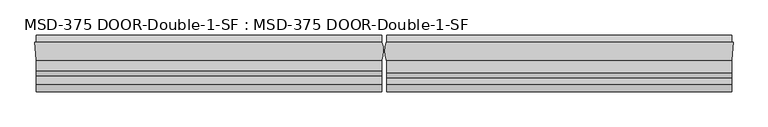
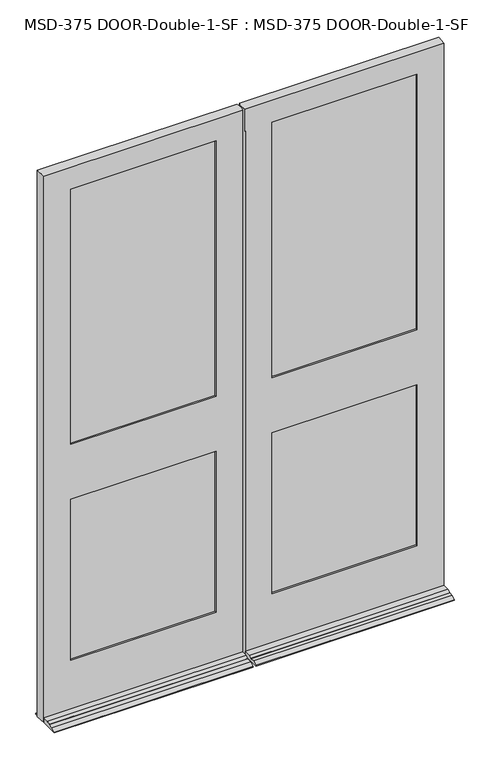
"""IFC4 building model written with IfcOpenShell, lengths in millimetres: plate geometry, MSD-375 DOOR-Double-1-SF : MSD-375 DOOR-Double-1-SF."""

import ifcopenshell
import ifcopenshell.guid

model = None  # the IFC model being written
_history = None  # IfcOwnerHistory: only IFC2X3 demands one
_inside = {}  # id of a spatial element -> (the spatial element, [elements in it])
_under = {}  # id of a project, library or spatial element -> (it, [spatial elements below it])
_declared = {}  # id of a project -> (the project, [libraries it declares])
_typed = {}  # id of a type object -> (the type object, [elements of that type])
_made_of = {}  # id of a material, layer set ... -> (it, [elements and type objects made of it])


def new_model(schema):
    """Start an empty IFC model of exactly this schema.

    Asked for "IFC4X3", IfcOpenShell would pick the latest addendum, in which some entities
    have other attributes; the version numbers below select the first issue.
    IFC2X3 requires an IfcOwnerHistory on every rooted entity: one is made here for all.
    """
    global model, _history
    if schema == "IFC4X3":
        model = ifcopenshell.file(schema_version=(4, 3, 0, 0))
    else:
        model = ifcopenshell.file(schema=schema)
    _inside.clear()
    _under.clear()
    _declared.clear()
    _typed.clear()
    _made_of.clear()
    _history = None
    if model.schema == "IFC2X3":
        org = make("IfcOrganization", Name="unknown")
        user = make(
            "IfcPersonAndOrganization",
            ThePerson=make("IfcPerson", FamilyName="unknown"),
            TheOrganization=org,
        )
        app = make(
            "IfcApplication",
            ApplicationDeveloper=org,
            Version="unknown",
            ApplicationFullName="unknown",
            ApplicationIdentifier="unknown",
        )
        _history = make(
            "IfcOwnerHistory",
            OwningUser=user,
            OwningApplication=app,
            ChangeAction="ADDED",
            CreationDate=0,
        )
    return model


def make(cls, **values):
    """One entity of the class cls with the attributes given. An attribute that is None is left unset."""
    return model.create_entity(
        cls, **{name: value for name, value in values.items() if value is not None}
    )


def rooted(cls, **values):
    """An entity with a GlobalId (a new one), such as an element, a storey or a relation."""
    return make(cls, GlobalId=ifcopenshell.guid.new(), OwnerHistory=_history, **values)


def si_unit(unit_type, name, prefix=None):
    """IfcSIUnit, for example si_unit("LENGTHUNIT", "METRE", prefix="MILLI")."""
    return make("IfcSIUnit", UnitType=unit_type, Prefix=prefix, Name=name)


def assignment(units):
    """IfcUnitAssignment: the units of a project."""
    return None if units is None else make("IfcUnitAssignment", Units=units)


def point(xyz):
    """IfcCartesianPoint."""
    return None if xyz is None else make("IfcCartesianPoint", Coordinates=xyz)


def direction(xyz):
    """IfcDirection."""
    return None if xyz is None else make("IfcDirection", DirectionRatios=xyz)


def frame(location, z_axis=None, x_axis=None):
    """IfcAxis2Placement3D, a coordinate frame: its origin and axes. An axis left out is left unset."""
    return make(
        "IfcAxis2Placement3D",
        Location=point(location),
        Axis=direction(z_axis),
        RefDirection=direction(x_axis),
    )


def origin():
    """The frame at (0, 0, 0) with its axes left unset."""
    return frame((0.0, 0.0, 0.0))


def place(relative_to, where):
    """IfcLocalPlacement: puts the frame where relative to a parent placement (None: the world)."""
    return make(
        "IfcLocalPlacement", PlacementRelTo=relative_to, RelativePlacement=where
    )


def context(
    kind, dimensions, precision=None, world=None, true_north=None, identifier=None
):
    """IfcGeometricRepresentationContext, for example the 3D "Model" context."""
    return make(
        "IfcGeometricRepresentationContext",
        ContextIdentifier=identifier,
        ContextType=kind,
        CoordinateSpaceDimension=dimensions,
        Precision=precision,
        WorldCoordinateSystem=world,
        TrueNorth=true_north,
    )


def project(units=None, contexts=None):
    """IfcProject with its units and contexts."""
    return rooted(
        "IfcProject",
        Name="project",
        RepresentationContexts=contexts,
        UnitsInContext=assignment(units),
    )


def spatial(cls, under=None, at=None, **own):
    """A site, building, storey or space (cls), placed at a placement, below another one or the project."""
    s = rooted(cls, ObjectPlacement=at, **own)
    if under is not None:
        _under.setdefault(under.id(), (under, []))[1].append(s)
    return s


def polyline(points):
    """IfcPolyline through the points."""
    return make("IfcPolyline", Points=[point(p) for p in points])


def circle_curve(where, radius):
    """IfcCircle in the frame where."""
    return make("IfcCircle", Position=where, Radius=radius)


def outline(outer, holes=None, kind="AREA"):
    """IfcArbitraryClosedProfileDef: a profile drawn as a closed curve; with holes, ...WithVoids."""
    if holes is None:
        return make("IfcArbitraryClosedProfileDef", ProfileType=kind, OuterCurve=outer)
    return make(
        "IfcArbitraryProfileDefWithVoids",
        ProfileType=kind,
        OuterCurve=outer,
        InnerCurves=holes,
    )


def extrude(swept, where, along, depth):
    """IfcExtrudedAreaSolid: the profile swept, set in the frame where, extruded along a direction by depth."""
    return make(
        "IfcExtrudedAreaSolid",
        SweptArea=swept,
        Position=where,
        ExtrudedDirection=direction(along),
        Depth=depth,
    )


def shape(context_of_items, identifier, shape_type, items):
    """IfcShapeRepresentation: the items that make up one representation, for example the "Body"."""
    return make(
        "IfcShapeRepresentation",
        ContextOfItems=context_of_items,
        RepresentationIdentifier=identifier,
        RepresentationType=shape_type,
        Items=items,
    )


def source(mapping_origin, context_of_items, identifier, shape_type, items):
    """IfcRepresentationMap: a shape defined once, which mapped items show again and again."""
    return make(
        "IfcRepresentationMap",
        MappingOrigin=mapping_origin,
        MappedRepresentation=shape(context_of_items, identifier, shape_type, items),
    )


def transform(
    local_origin,
    x_axis=None,
    y_axis=None,
    z_axis=None,
    scale=None,
    scale2=None,
    scale3=None,
    uniform=True,
):
    """IfcCartesianTransformationOperator3D, or its non-uniform kind. x_axis, y_axis, z_axis: its Axis1, 2, 3."""
    if uniform:
        return make(
            "IfcCartesianTransformationOperator3D",
            Axis1=direction(x_axis),
            Axis2=direction(y_axis),
            LocalOrigin=point(local_origin),
            Scale=scale,
            Axis3=direction(z_axis),
        )
    return make(
        "IfcCartesianTransformationOperator3DnonUniform",
        Axis1=direction(x_axis),
        Axis2=direction(y_axis),
        LocalOrigin=point(local_origin),
        Scale=scale,
        Axis3=direction(z_axis),
        Scale2=scale2,
        Scale3=scale3,
    )


def mapped(mapping_source, mapping_target):
    """IfcMappedItem: shows the shape of a source again, moved by a transform."""
    return make(
        "IfcMappedItem", MappingSource=mapping_source, MappingTarget=mapping_target
    )


def made_of(thing, what):
    """Note that an element or type object is made of a material, layer set ...; save() writes the relation."""
    if what is not None:
        _made_of.setdefault(what.id(), (what, []))[1].append(thing)
    return thing


def element(
    cls,
    number,
    at=None,
    inside=None,
    cuts=None,
    type_object=None,
    material=None,
    context=None,
    identifier="Body",
    shape_type=None,
    held_by="IfcProductDefinitionShape",
    body=None,
    shapes=None,
    **own,
):
    """One element of the class cls, such as IfcWall. Its Tag is "e" and its number.

    at: its placement. inside: the storey or other place that contains it. cuts: it is an
    opening in that element (IfcRelVoidsElement). A single representation is given by context,
    identifier, shape_type and body (its items); several are given by shapes. held_by: the class
    of the entity that holds the representations. save() writes the other relations.
    """
    e = rooted(cls, Tag="e%d" % number, ObjectPlacement=at, **own)
    if body is not None:
        shapes = [shape(context, identifier, shape_type, body)]
    if shapes is not None:
        e.Representation = make(held_by, Representations=shapes)
    if inside is not None:
        _inside.setdefault(inside.id(), (inside, []))[1].append(e)
    if cuts is not None:
        rooted(
            "IfcRelVoidsElement", RelatingBuildingElement=cuts, RelatedOpeningElement=e
        )
    if type_object is not None:
        _typed.setdefault(type_object.id(), (type_object, []))[1].append(e)
    return made_of(e, material)


def aggregate(whole, parts):
    """IfcRelAggregates: a whole, such as a stair, and the parts it consists of."""
    return rooted("IfcRelAggregates", RelatingObject=whole, RelatedObjects=parts)


def save(model, path):
    """Write the relations noted so far, then the file.

    IfcRelAggregates (storeys below a building ...), IfcRelContainedInSpatialStructure (elements
    in a storey), IfcRelDefinesByType, IfcRelAssociatesMaterial and IfcRelDeclares: one each for
    every whole, place, type object, material and project.
    """
    for whole, parts in _under.values():
        aggregate(whole, parts)
    for where, things in _inside.values():
        rooted(
            "IfcRelContainedInSpatialStructure",
            RelatedElements=things,
            RelatingStructure=where,
        )
    for kind, things in _typed.values():
        rooted("IfcRelDefinesByType", RelatedObjects=things, RelatingType=kind)
    for what, things in _made_of.values():
        rooted("IfcRelAssociatesMaterial", RelatedObjects=things, RelatingMaterial=what)
    for by, libraries in _declared.values():
        rooted("IfcRelDeclares", RelatingContext=by, RelatedDefinitions=libraries)
    model.write(path)


def plane_surface(at):
    """IfcPlane: the flat surface through the origin of the frame at, square to its z axis."""
    return make("IfcPlane", Position=at)


def cylinder_surface(at, radius):
    """IfcCylindricalSurface: all points at the distance radius from the z axis of the frame at."""
    return make("IfcCylindricalSurface", Position=at, Radius=radius)


def advanced_brep(points, edges, surfaces, faces):
    """IfcAdvancedBrep: a solid bounded by faces that lie on surfaces and meet in shared edges.

    An edge is (start, end): straight between two places in points (the first is 0);
    or (start, end, curve); or (start, end, curve, False) where it runs against its curve.
    A face is (place in surfaces, loops), or (place, loops, False) where it looks against
    its surface's normal. A loop lists edges by number (the first is 1), with a minus sign
    where the edge is run from its end to its start. The first loop is the outer one.
    """
    corners = [point(p) for p in points]
    vertices = [make("IfcVertexPoint", VertexGeometry=c) for c in corners]
    made = []
    for start, end, *more in edges:
        made.append(
            make(
                "IfcEdgeCurve",
                EdgeStart=vertices[start],
                EdgeEnd=vertices[end],
                EdgeGeometry=more[0] if more else make("IfcPolyline", Points=[corners[start], corners[end]]),
                SameSense=more[1] if len(more) > 1 else True,
            )
        )
    hull = []
    for where, loops, *sense in faces:
        bounds = []
        for j, loop in enumerate(loops):
            ring = [make("IfcOrientedEdge", EdgeElement=made[abs(k) - 1], Orientation=k > 0) for k in loop]
            bounds.append(
                make(
                    "IfcFaceOuterBound" if j == 0 else "IfcFaceBound",
                    Bound=make("IfcEdgeLoop", EdgeList=ring),
                    Orientation=True,
                )
            )
        hull.append(make("IfcAdvancedFace", Bounds=bounds, FaceSurface=surfaces[where], SameSense=sense[0] if sense else True))
    return make("IfcAdvancedBrep", Outer=make("IfcClosedShell", CfsFaces=hull))


def msd_375_door_double_1_sf_msd_375_door_double_1_sf_ca6e11e4(model_context):
    return source(origin(), model_context, "Body", "SolidModel", [
        advanced_brep(
        [(-875.0542327, -44.45, 0.0), (-877.8228327, 0.0, 0.0), (-874.8313901, 0.0, 0.0), (-874.8313901, 19.05, 0.0), (-6.1450388, 19.05, 0.0), (-6.1450388, 0.0, 0.0), (-5.5889985, 0.0, 0.0), (-6.1450388, -44.45, 0.0), (-6.1450388, -123.825, 0.0), (-874.8313901, -123.825, 0.0), (-874.8313901, -44.45, 0.0), (-6.1450388, -44.45, 21.4376), (-6.1450388, -70.3199, 21.4376), (-6.1450388, -82.7405, 14.2748), (-6.1450388, -82.7405, 12.7), (-6.1450388, -104.775, 12.7), (-6.1450388, -123.825, 3.175), (-6.1450388, 19.05, 3.175), (-6.1450388, 0.0, 12.7), (-874.8313901, 0.0, 12.7), (-874.8313901, 19.05, 3.175), (-874.8313901, -123.825, 3.175), (-874.8313901, -104.775, 12.7), (-874.8313901, -82.7405, 12.7), (-874.8313901, -82.7405, 14.2748), (-874.8313901, -70.3199, 21.4376), (-874.8313901, -44.45, 21.4376), (-122.2373508, -11.6078, 1223.1624), (-122.2373508, -37.0078, 1223.1624), (-122.2373508, -37.0078, 1008.8372), (-122.2373508, -11.6078, 1008.8372), (-122.2373508, 0.0, 988.9998), (-122.2373508, 0.0, 246.0625), (-122.2373508, -11.6078, 246.0625), (-122.2373508, -11.6078, 988.9998), (-122.2373508, -11.6078, 1242.9998), (-122.2373508, -11.6078, 2422.525), (-122.2373508, 0.0, 2422.525), (-122.2373508, 0.0, 1242.9998), (-102.3999508, -37.0078, 2442.3624), (-102.3999508, -11.6078, 2442.3624), (-102.3999508, -11.6078, 226.21875), (-102.3999508, -37.0078, 226.21875), (-122.2373508, -37.0078, 988.9998), (-122.2373508, -37.0078, 246.0625), (-122.2373508, -44.45, 246.0625), (-122.2373508, -44.45, 988.9998), (-122.2373508, -44.45, 1242.9998), (-122.2373508, -44.45, 2422.525), (-122.2373508, -37.0078, 2422.525), (-122.2373508, -37.0078, 1242.9998), (-757.1728327, -44.45, 246.0625), (-757.1728327, -37.0078, 246.0625), (-757.1728327, -37.0078, 988.9998), (-757.1728327, -44.45, 988.9998), (-757.1728327, -37.0078, 2422.525), (-757.1728327, -44.45, 2422.525), (-757.1728327, -44.45, 1242.9998), (-757.1728327, -37.0078, 1242.9998), (-777.0102327, -11.6078, 2442.3624), (-777.0102327, -37.0078, 2442.3624), (-777.0102327, -37.0078, 226.21875), (-777.0102327, -11.6078, 226.21875), (-757.1728327, -11.6078, 246.0625), (-757.1728327, 0.0, 246.0625), (-757.1728327, 0.0, 988.9998), (-757.1728327, -11.6078, 988.9998), (-757.1728327, 0.0, 2422.525), (-757.1728327, -11.6078, 2422.525), (-757.1728327, -11.6078, 1242.9998), (-757.1728327, 0.0, 1242.9998), (-757.1728327, -11.6078, 1223.1624), (-757.1728327, -37.0078, 1223.1624), (-757.1728327, -37.0078, 1008.8372), (-757.1728327, -11.6078, 1008.8372), (-5.5889985, 0.0, 2524.125), (-6.1450388, -44.45, 2524.125), (-875.0542327, -44.45, 2524.125), (-877.8228327, 0.0, 2524.125)],
        [
            (0, 1),
            (1, 2),
            (2, 3),
            (3, 4),
            (4, 5),
            (5, 6),
            (6, 7, circle_curve(frame((-61.4514685, -21.529675, 0.0), z_axis=(0.0, 0.0, -1.0), x_axis=(0.0, -1.0, 0.0)), 59.867708)),
            (7, 8),
            (8, 9),
            (9, 10),
            (10, 0),
            (11, 12),
            (12, 13),
            (13, 14),
            (14, 15),
            (15, 16),
            (16, 8),
            (7, 11),
            (4, 17),
            (17, 18),
            (18, 5),
            (19, 20),
            (20, 3),
            (2, 19),
            (9, 21),
            (21, 22),
            (22, 23),
            (23, 24),
            (24, 25),
            (25, 26),
            (26, 10),
            (27, 28),
            (28, 29),
            (29, 30),
            (30, 27),
            (31, 32),
            (32, 33),
            (33, 34),
            (34, 31),
            (35, 36),
            (36, 37),
            (37, 38),
            (38, 35),
            (39, 40),
            (40, 41),
            (41, 42),
            (42, 39),
            (43, 44),
            (44, 45),
            (45, 46),
            (46, 43),
            (47, 48),
            (48, 49),
            (49, 50),
            (50, 47),
            (51, 52),
            (52, 53),
            (53, 54),
            (54, 51),
            (55, 56),
            (56, 57),
            (57, 58),
            (58, 55),
            (59, 60),
            (60, 61),
            (61, 62),
            (62, 59),
            (63, 64),
            (64, 65),
            (65, 66),
            (66, 63),
            (67, 68),
            (68, 69),
            (69, 70),
            (70, 67),
            (63, 33),
            (32, 64),
            (61, 42),
            (41, 62),
            (51, 45),
            (44, 52),
            (11, 26),
            (25, 12),
            (24, 13),
            (23, 14),
            (22, 15),
            (21, 16),
            (20, 17),
            (19, 18),
            (38, 70),
            (69, 35),
            (27, 71),
            (71, 72),
            (72, 28),
            (50, 58),
            (57, 47),
            (46, 54),
            (53, 43),
            (29, 73),
            (73, 74),
            (74, 30),
            (34, 66),
            (65, 31),
            (75, 76, circle_curve(frame((-61.4514685, -21.529675, 2524.125), z_axis=(0.0, 0.0, -1.0), x_axis=(0.0, -1.0, 0.0)), 59.867708)),
            (76, 11),
            (6, 75),
            (77, 78),
            (78, 1),
            (0, 77),
            (78, 75),
            (37, 67),
            (36, 68),
            (40, 59),
            (74, 71),
            (39, 60),
            (49, 55),
            (72, 73),
            (48, 56),
            (76, 77),
        ],
        [
            plane_surface(frame((-882.65, -24.3078, 0.0), z_axis=(0.0, 0.0, -1.0), x_axis=(0.0, -1.0, 0.0))),
            plane_surface(frame((-6.1450388, -24.3078, 0.0), z_axis=(1.0, 0.0, 0.0), x_axis=(0.0, -1.0, 0.0))),
            plane_surface(frame((-874.8313901, -24.3078, 0.0), z_axis=(-1.0, 0.0, 0.0), x_axis=(0.0, -1.0, 0.0))),
            plane_surface(frame((-122.2373508, -24.3078, 1268.4125), z_axis=(1.0, 0.0, 0.0), x_axis=(0.0, -1.0, 0.0))),
            plane_surface(frame((-122.2373508, 0.0, 2524.125), z_axis=(-1.0, 0.0, 0.0), x_axis=(0.0, 0.0, -1.0))),
            plane_surface(frame((-102.3999508, -11.6078, 2524.125), z_axis=(-1.0, 0.0, 0.0), x_axis=(0.0, 0.0, -1.0))),
            plane_surface(frame((-122.2373508, -37.0078, 2524.125), z_axis=(-1.0, 0.0, 0.0), x_axis=(0.0, 0.0, -1.0))),
            plane_surface(frame((-757.1728327, -44.45, 2524.125), z_axis=(1.0, 0.0, 0.0), x_axis=(0.0, 0.0, -1.0))),
            plane_surface(frame((-777.0102327, -37.0078, 2524.125), z_axis=(1.0, 0.0, 0.0), x_axis=(0.0, 0.0, -1.0))),
            plane_surface(frame((-757.1728327, -11.6078, 2524.125), z_axis=(1.0, 0.0, 0.0), x_axis=(0.0, 0.0, -1.0))),
            plane_surface(frame((-6.1450388, 0.0, 246.0625), z_axis=(0.0, 0.0, 1.0), x_axis=(-1.0, 0.0, 0.0))),
            plane_surface(frame((-6.1450388, -11.6078, 226.21875), z_axis=(0.0, 0.0, 1.0), x_axis=(-1.0, 0.0, 0.0))),
            plane_surface(frame((-6.1450388, -37.0078, 246.0625), z_axis=(0.0, 0.0, 1.0), x_axis=(-1.0, 0.0, 0.0))),
            plane_surface(frame((-6.1450388, -44.45, 21.4376), z_axis=(0.0, 0.0, 1.0), x_axis=(-1.0, 0.0, 0.0))),
            plane_surface(frame((-6.1450388, -70.3199, 21.4376), z_axis=(0.0, -0.499569084188723, 0.8662740502420933), x_axis=(-1.0, 0.0, 0.0))),
            plane_surface(frame((-6.1450388, -82.7405, 14.2748), z_axis=(0.0, -1.0, 0.0), x_axis=(-1.0, 0.0, 0.0))),
            plane_surface(frame((-6.1450388, -82.7405, 12.7), z_axis=(0.0, 0.0, 1.0), x_axis=(-1.0, 0.0, 0.0))),
            plane_surface(frame((-6.1450388, -104.775, 12.7), z_axis=(0.0, -0.44721359549995665, 0.8944271909999165), x_axis=(-1.0, 0.0, 0.0))),
            plane_surface(frame((-6.1450388, -123.825, 3.175), z_axis=(0.0, -1.0, 0.0), x_axis=(-1.0, 0.0, 0.0))),
            plane_surface(frame((-6.1450388, 19.05, 0.0), z_axis=(0.0, 1.0, 0.0), x_axis=(-1.0, 0.0, 0.0))),
            plane_surface(frame((-6.1450388, 19.05, 3.175), z_axis=(0.0, 0.4472135954998658, 0.8944271909999619), x_axis=(-1.0, 0.0, 0.0))),
            plane_surface(frame((-122.2373508, 0.0, 1242.9998), z_axis=(0.0, 0.0, 1.0), x_axis=(-1.0, 0.0, 0.0))),
            plane_surface(frame((-122.2373508, -11.6078, 1223.1624), z_axis=(0.0, 0.0, 1.0), x_axis=(-1.0, 0.0, 0.0))),
            plane_surface(frame((-122.2373508, -37.0078, 1242.9998), z_axis=(0.0, 0.0, 1.0), x_axis=(-1.0, 0.0, 0.0))),
            plane_surface(frame((-122.2373508, -44.45, 988.9998), z_axis=(0.0, 0.0, -1.0), x_axis=(-1.0, 0.0, 0.0))),
            plane_surface(frame((-122.2373508, -37.0078, 1008.8372), z_axis=(0.0, 0.0, -1.0), x_axis=(-1.0, 0.0, 0.0))),
            plane_surface(frame((-122.2373508, -11.6078, 988.9998), z_axis=(0.0, 0.0, -1.0), x_axis=(-1.0, 0.0, 0.0))),
            cylinder_surface(frame((-61.4514685, -21.529675, 2524.125), z_axis=(0.0, 0.0, 1.0), x_axis=(0.0, -1.0, 0.0)), 59.867708),
            plane_surface(frame((-877.8228327, 0.0, 2524.125), z_axis=(-0.9980658706879192, -0.06216524565998223, 0.0), x_axis=(0.0, 0.0, -1.0))),
            plane_surface(frame((-875.0542327, 0.0, 2524.125), z_axis=(0.0, 1.0, 0.0), x_axis=(1.0, 0.0, 0.0))),
            plane_surface(frame((-875.0542327, 0.0, 2422.525), z_axis=(0.0, 0.0, -1.0), x_axis=(1.0, 0.0, 0.0))),
            plane_surface(frame((-875.0542327, -11.6078, 2422.525), z_axis=(0.0, -1.0, 0.0), x_axis=(1.0, 0.0, 0.0))),
            plane_surface(frame((-875.0542327, -11.6078, 2442.3624), z_axis=(0.0, 0.0, -1.0), x_axis=(1.0, 0.0, 0.0))),
            plane_surface(frame((-875.0542327, -37.0078, 2442.3624), z_axis=(0.0, 1.0, 0.0), x_axis=(1.0, 0.0, 0.0))),
            plane_surface(frame((-875.0542327, -37.0078, 2422.525), z_axis=(0.0, 0.0, -1.0), x_axis=(1.0, 0.0, 0.0))),
            plane_surface(frame((-875.0542327, -44.45, 2422.525), z_axis=(0.0, -1.0, 0.0), x_axis=(1.0, 0.0, 0.0))),
            plane_surface(frame((-875.0542327, -44.45, 2524.125), z_axis=(0.0, 0.0, 1.0), x_axis=(1.0, 0.0, 0.0))),
            plane_surface(frame((-757.1728327, -24.3078, 1268.4125), z_axis=(-1.0, 0.0, 0.0), x_axis=(0.0, -1.0, 0.0))),
        ],
        [
            (0, [[1, 2, 3, 4, 5, 6, 7, 8, 9, 10, 11]]),
            (1, [[12, 13, 14, 15, 16, 17, -8, 18]]),
            (1, [[19, 20, 21, -5]]),
            (2, [[22, 23, -3, 24]]),
            (2, [[25, 26, 27, 28, 29, 30, 31, -10]]),
            (3, [[32, 33, 34, 35]]),
            (4, [[36, 37, 38, 39]]),
            (4, [[40, 41, 42, 43]]),
            (5, [[44, 45, 46, 47]]),
            (6, [[48, 49, 50, 51]]),
            (6, [[52, 53, 54, 55]]),
            (7, [[56, 57, 58, 59]]),
            (7, [[60, 61, 62, 63]]),
            (8, [[64, 65, 66, 67]]),
            (9, [[68, 69, 70, 71]]),
            (9, [[72, 73, 74, 75]]),
            (10, [[-68, 76, -37, 77]]),
            (11, [[-66, 78, -46, 79]]),
            (12, [[-56, 80, -49, 81]]),
            (13, [[-12, 82, -30, 83]]),
            (14, [[-13, -83, -29, 84]]),
            (15, [[-14, -84, -28, 85]]),
            (16, [[-15, -85, -27, 86]]),
            (17, [[-16, -86, -26, 87]]),
            (18, [[-17, -87, -25, -9]]),
            (19, [[-19, -4, -23, 88]]),
            (20, [[-20, -88, -22, 89]]),
            (21, [[90, -74, 91, -43]]),
            (22, [[-32, 92, 93, 94]]),
            (23, [[95, -62, 96, -55]]),
            (24, [[97, -58, 98, -51]]),
            (25, [[-34, 99, 100, 101]]),
            (26, [[102, -70, 103, -39]]),
            (27, [[104, 105, -18, -7, 106]]),
            (28, [[107, 108, -1, 109]]),
            (29, [[-108, 110, -106, -6, -21, -89, -24, -2], [-90, -42, 111, -75], [-103, -69, -77, -36]]),
            (30, [[-72, -111, -41, 112]]),
            (31, [[-67, -79, -45, 113], [-92, -35, -101, 114], [-102, -38, -76, -71], [-91, -73, -112, -40]]),
            (32, [[-64, -113, -44, 115]]),
            (33, [[-65, -115, -47, -78], [-95, -54, 116, -63], [-94, 117, -99, -33], [-98, -57, -81, -48]]),
            (34, [[-60, -116, -53, 118]]),
            (35, [[-109, -11, -31, -82, -105, 119], [-97, -50, -80, -59], [-96, -61, -118, -52]]),
            (36, [[-107, -119, -104, -110]]),
            (37, [[-100, -117, -93, -114]]),
        ],
    ),
        advanced_brep(
        [(6.1450388, -44.45, 0.0), (5.5889985, 0.0, 0.0), (6.1450388, 0.0, 0.0), (6.1450388, 19.05, 0.0), (874.3187994, 19.05, 0.0), (874.3187994, 0.0, 0.0), (877.310242, 0.0, 0.0), (874.541642, -44.45, 0.0), (874.3187994, -44.45, 0.0), (874.3187994, -123.825, 0.0), (6.1450388, -123.825, 0.0), (874.3187994, -44.45, 21.4376), (874.3187994, -75.87615, 21.4376), (874.3187994, -88.29675, 14.2748), (874.3187994, -88.29675, 12.7), (874.3187994, -104.775, 12.7), (874.3187994, -123.825, 3.175), (874.3187994, 19.05, 3.175), (874.3187994, 0.0, 12.7), (6.1450388, 0.0, 12.7), (6.1450388, 19.05, 3.175), (6.1450388, -123.825, 3.175), (6.1450388, -104.775, 12.7), (6.1450388, -88.29675, 12.7), (6.1450388, -88.29675, 14.2748), (6.1450388, -75.87615, 21.4376), (6.1450388, -44.45, 21.4376), (5.5889985, -44.45, 2422.525), (5.5889985, -44.45, 2524.125), (5.5889985, -43.05935, 2524.125), (5.5889985, -43.05935, 2422.525), (122.2376492, -37.0078, 1223.1624), (122.2376492, -11.6078, 1223.1624), (122.2376492, -11.6078, 1008.8499), (122.2376492, -37.0078, 1008.8499), (122.2376492, -37.0078, 2422.525), (122.2376492, -44.45, 2422.525), (122.2376492, -44.45, 1242.9998), (122.2376492, -37.0078, 1242.9998), (122.2376492, -37.0078, 988.9998), (122.2376492, -44.45, 988.9998), (122.2376492, -44.45, 246.0625), (122.2376492, -37.0078, 246.0625), (102.4002492, -11.6078, 226.21875), (102.4002492, -11.6078, 2442.3624), (102.4002492, -37.0078, 2442.3624), (102.4002492, -37.0078, 226.21875), (122.2376492, 0.0, 2422.525), (122.2376492, -11.6078, 2422.525), (122.2376492, -11.6078, 1242.9998), (122.2376492, 0.0, 1242.9998), (122.2376492, 0.0, 988.9998), (122.2376492, -11.6078, 988.9998), (122.2376492, -11.6078, 246.0625), (122.2376492, 0.0, 246.0625), (756.660242, -11.6078, 2422.525), (756.660242, 0.0, 2422.525), (756.660242, 0.0, 1242.9998), (756.660242, -11.6078, 1242.9998), (756.660242, -11.6078, 988.9998), (756.660242, 0.0, 988.9998), (756.660242, 0.0, 246.0625), (756.660242, -11.6078, 246.0625), (776.497642, -11.6078, 2442.3624), (776.497642, -11.6078, 226.21875), (756.660242, -11.6078, 1008.8499), (756.660242, -11.6078, 1223.1624), (776.497642, -37.0078, 226.21875), (776.497642, -37.0078, 2442.3624), (756.660242, -37.0078, 246.0625), (756.660242, -37.0078, 988.9998), (756.660242, -37.0078, 2422.525), (756.660242, -37.0078, 1242.9998), (756.660242, -37.0078, 1008.8499), (756.660242, -37.0078, 1223.1624), (756.660242, -44.45, 2422.525), (756.660242, -44.45, 1242.9998), (756.660242, -44.45, 988.9998), (756.660242, -44.45, 246.0625), (6.1450388, -44.45, 2422.525), (874.541642, -44.45, 2524.125), (877.310242, 0.0, 2524.125), (5.5889985, 0.0, 2524.125)],
        [
            (0, 1, circle_curve(frame((61.4514685, -21.529675, 0.0), z_axis=(0.0, 0.0, -1.0), x_axis=(0.0, -1.0, 0.0)), 59.867708)),
            (1, 2),
            (2, 3),
            (3, 4),
            (4, 5),
            (5, 6),
            (6, 7),
            (7, 8),
            (8, 9),
            (9, 10),
            (10, 0),
            (11, 12),
            (12, 13),
            (13, 14),
            (14, 15),
            (15, 16),
            (16, 9),
            (8, 11),
            (4, 17),
            (17, 18),
            (18, 5),
            (19, 20),
            (20, 3),
            (2, 19),
            (10, 21),
            (21, 22),
            (22, 23),
            (23, 24),
            (24, 25),
            (25, 26),
            (26, 0),
            (27, 28),
            (28, 29),
            (29, 30),
            (30, 27),
            (31, 32),
            (32, 33),
            (33, 34),
            (34, 31),
            (35, 36),
            (36, 37),
            (37, 38),
            (38, 35),
            (39, 40),
            (40, 41),
            (41, 42),
            (42, 39),
            (43, 44),
            (44, 45),
            (45, 46),
            (46, 43),
            (47, 48),
            (48, 49),
            (49, 50),
            (50, 47),
            (51, 52),
            (52, 53),
            (53, 54),
            (54, 51),
            (55, 56),
            (56, 57),
            (57, 58),
            (58, 55),
            (59, 60),
            (60, 61),
            (61, 62),
            (62, 59),
            (63, 44),
            (43, 64),
            (64, 63),
            (62, 53),
            (52, 59),
            (48, 55),
            (58, 49),
            (65, 33),
            (32, 66),
            (66, 65),
            (67, 68),
            (68, 63),
            (64, 67),
            (45, 68),
            (67, 46),
            (42, 69),
            (69, 70),
            (70, 39),
            (71, 35),
            (38, 72),
            (72, 71),
            (34, 73),
            (73, 74),
            (74, 31),
            (75, 71),
            (72, 76),
            (76, 75),
            (77, 70),
            (69, 78),
            (78, 77),
            (27, 79),
            (79, 26),
            (26, 11),
            (7, 80),
            (80, 28),
            (78, 41),
            (40, 77),
            (36, 75),
            (76, 37),
            (81, 80),
            (6, 81),
            (18, 19),
            (1, 82),
            (82, 81),
            (54, 61),
            (60, 51),
            (56, 47),
            (50, 57),
            (30, 79, circle_curve(frame((61.4514685, -21.529675, 2422.525), z_axis=(0.0, 0.0, 1.0), x_axis=(0.0, -1.0, 0.0)), 59.867708)),
            (25, 12),
            (65, 73),
            (74, 66),
            (29, 82, circle_curve(frame((61.4514685, -21.529675, 2524.125), z_axis=(0.0, 0.0, -1.0), x_axis=(0.0, -1.0, 0.0)), 59.867708)),
            (24, 13),
            (23, 14),
            (22, 15),
            (21, 16),
            (20, 17),
        ],
        [
            plane_surface(frame((-882.65, -24.3078, 0.0), z_axis=(0.0, 0.0, -1.0), x_axis=(0.0, -1.0, 0.0))),
            plane_surface(frame((874.3187994, -24.3078, 0.0), z_axis=(1.0, 0.0, 0.0), x_axis=(0.0, -1.0, 0.0))),
            plane_surface(frame((6.1450388, -24.3078, 0.0), z_axis=(-1.0, 0.0, 0.0), x_axis=(0.0, -1.0, 0.0))),
            plane_surface(frame((5.5889985, -24.3078, 2536.825), z_axis=(-1.0, 0.0, 0.0), x_axis=(0.0, -1.0, 0.0))),
            plane_surface(frame((122.2376492, -24.3078, 1268.4125), z_axis=(-1.0, 0.0, 0.0), x_axis=(0.0, -1.0, 0.0))),
            plane_surface(frame((122.2376492, -44.45, 2524.125), z_axis=(1.0, 0.0, 0.0), x_axis=(0.0, 0.0, -1.0))),
            plane_surface(frame((102.4002492, -37.0078, 2524.125), z_axis=(1.0, 0.0, 0.0), x_axis=(0.0, 0.0, -1.0))),
            plane_surface(frame((122.2376492, -11.6078, 2524.125), z_axis=(1.0, 0.0, 0.0), x_axis=(0.0, 0.0, -1.0))),
            plane_surface(frame((756.660242, 0.0, 2524.125), z_axis=(-1.0, 0.0, 0.0), x_axis=(0.0, 0.0, -1.0))),
            plane_surface(frame((756.660242, -11.6078, 2524.125), z_axis=(0.0, -1.0, 0.0), x_axis=(0.0, 0.0, -1.0))),
            plane_surface(frame((776.497642, -11.6078, 2524.125), z_axis=(-1.0, 0.0, 0.0), x_axis=(0.0, 0.0, -1.0))),
            plane_surface(frame((776.497642, -37.0078, 2524.125), z_axis=(0.0, 1.0, 0.0), x_axis=(0.0, 0.0, -1.0))),
            plane_surface(frame((756.660242, -37.0078, 2524.125), z_axis=(-1.0, 0.0, 0.0), x_axis=(0.0, 0.0, -1.0))),
            plane_surface(frame((756.660242, -44.45, 2524.125), z_axis=(0.0, -1.0, 0.0), x_axis=(0.0, 0.0, -1.0))),
            plane_surface(frame((874.541642, -44.45, 2524.125), z_axis=(0.9980658706879184, -0.06216524565999366, 0.0), x_axis=(0.0, 0.0, -1.0))),
            plane_surface(frame((877.310242, 0.0, 2524.125), z_axis=(0.0, 1.0, 0.0), x_axis=(0.0, 0.0, -1.0))),
            plane_surface(frame((5.5889985, 0.0, 2422.525), z_axis=(0.0, 0.0, -1.0), x_axis=(1.0, 0.0, 0.0))),
            plane_surface(frame((5.5889985, -11.6078, 2442.3624), z_axis=(0.0, 0.0, -1.0), x_axis=(1.0, 0.0, 0.0))),
            plane_surface(frame((5.5889985, -37.0078, 2422.525), z_axis=(0.0, 0.0, -1.0), x_axis=(1.0, 0.0, 0.0))),
            plane_surface(frame((874.3187994, 0.0, 246.0625), z_axis=(0.0, 0.0, 1.0), x_axis=(-1.0, 0.0, 0.0))),
            plane_surface(frame((874.3187994, -11.6078, 226.21875), z_axis=(0.0, 0.0, 1.0), x_axis=(-1.0, 0.0, 0.0))),
            plane_surface(frame((874.3187994, -37.0078, 246.0625), z_axis=(0.0, 0.0, 1.0), x_axis=(-1.0, 0.0, 0.0))),
            plane_surface(frame((874.3187994, -44.45, 21.4376), z_axis=(0.0, 0.0, 1.0), x_axis=(-1.0, 0.0, 0.0))),
            plane_surface(frame((756.660242, -44.45, 988.9998), z_axis=(0.0, 0.0, -1.0), x_axis=(-1.0, 0.0, 0.0))),
            plane_surface(frame((756.660242, -37.0078, 1008.8499), z_axis=(0.0, 0.0, -1.0), x_axis=(-1.0, 0.0, 0.0))),
            plane_surface(frame((756.660242, -11.6078, 988.9998), z_axis=(0.0, 0.0, -1.0), x_axis=(-1.0, 0.0, 0.0))),
            plane_surface(frame((756.660242, 0.0, 1242.9998), z_axis=(0.0, 0.0, 1.0), x_axis=(-1.0, 0.0, 0.0))),
            plane_surface(frame((756.660242, -11.6078, 1223.1624), z_axis=(0.0, 0.0, 1.0), x_axis=(-1.0, 0.0, 0.0))),
            plane_surface(frame((756.660242, -37.0078, 1242.9998), z_axis=(0.0, 0.0, 1.0), x_axis=(-1.0, 0.0, 0.0))),
            cylinder_surface(frame((61.4514685, -21.529675, 2524.125), z_axis=(0.0, 0.0, 1.0), x_axis=(0.0, -1.0, 0.0)), 59.867708),
            plane_surface(frame((-875.0542327, -44.45, 2524.125), z_axis=(0.0, 0.0, 1.0), x_axis=(1.0, 0.0, 0.0))),
            plane_surface(frame((874.3187994, -75.87615, 21.4376), z_axis=(0.0, -0.49956908418867013, 0.8662740502421237), x_axis=(-1.0, 0.0, 0.0))),
            plane_surface(frame((874.3187994, -88.29675, 14.2748), z_axis=(0.0, -1.0, 0.0), x_axis=(-1.0, 0.0, 0.0))),
            plane_surface(frame((874.3187994, -88.29675, 12.7), z_axis=(0.0, 0.0, 1.0), x_axis=(-1.0, 0.0, 0.0))),
            plane_surface(frame((874.3187994, -104.775, 12.7), z_axis=(0.0, -0.44721359549996115, 0.8944271909999144), x_axis=(-1.0, 0.0, 0.0))),
            plane_surface(frame((874.3187994, -123.825, 3.175), z_axis=(0.0, -1.0, 0.0), x_axis=(-1.0, 0.0, 0.0))),
            plane_surface(frame((874.3187994, 19.05, 0.0), z_axis=(0.0, 1.0, 0.0), x_axis=(-1.0, 0.0, 0.0))),
            plane_surface(frame((874.3187994, 19.05, 3.175), z_axis=(0.0, 0.4472135954999116, 0.8944271909999391), x_axis=(-1.0, 0.0, 0.0))),
            plane_surface(frame((756.660242, -24.3078, 1268.4125), z_axis=(1.0, 0.0, 0.0), x_axis=(0.0, -1.0, 0.0))),
        ],
        [
            (0, [[1, 2, 3, 4, 5, 6, 7, 8, 9, 10, 11]]),
            (1, [[12, 13, 14, 15, 16, 17, -9, 18]]),
            (1, [[19, 20, 21, -5]]),
            (2, [[22, 23, -3, 24]]),
            (2, [[25, 26, 27, 28, 29, 30, 31, -11]]),
            (3, [[32, 33, 34, 35]]),
            (4, [[36, 37, 38, 39]]),
            (5, [[40, 41, 42, 43]]),
            (5, [[44, 45, 46, 47]]),
            (6, [[48, 49, 50, 51]]),
            (7, [[52, 53, 54, 55]]),
            (7, [[56, 57, 58, 59]]),
            (8, [[60, 61, 62, 63]]),
            (8, [[64, 65, 66, 67]]),
            (9, [[68, -48, 69, 70], [-67, 71, -57, 72], [73, -63, 74, -53], [75, -37, 76, 77]]),
            (10, [[78, 79, -70, 80]]),
            (11, [[81, -78, 82, -50], [-47, 83, 84, 85], [86, -43, 87, 88], [89, 90, 91, -39]]),
            (12, [[92, -88, 93, 94]]),
            (12, [[95, -84, 96, 97]]),
            (13, [[-32, 98, 99, 100, -18, -8, 101, 102], [-97, 103, -45, 104], [105, -94, 106, -41]]),
            (14, [[107, -101, -7, 108]]),
            (15, [[-108, -6, -21, 109, -24, -2, 110, 111], [-59, 112, -65, 113], [114, -55, 115, -61]]),
            (16, [[-73, -52, -114, -60]]),
            (17, [[-79, -81, -49, -68]]),
            (18, [[-98, -35, 116]]),
            (18, [[-105, -40, -86, -92]]),
            (19, [[-112, -58, -71, -66]]),
            (20, [[-82, -80, -69, -51]]),
            (21, [[-83, -46, -103, -96]]),
            (22, [[-12, -100, -30, 117]]),
            (23, [[-104, -44, -85, -95]]),
            (24, [[118, -89, -38, -75]]),
            (25, [[-72, -56, -113, -64]]),
            (26, [[-115, -54, -74, -62]]),
            (27, [[119, -76, -36, -91]]),
            (28, [[-106, -93, -87, -42]]),
            (29, [[-1, -31, -99, -116, -34, 120, -110]]),
            (30, [[-107, -111, -120, -33, -102]]),
            (31, [[-13, -117, -29, 121]]),
            (32, [[-14, -121, -28, 122]]),
            (33, [[-15, -122, -27, 123]]),
            (34, [[-16, -123, -26, 124]]),
            (35, [[-17, -124, -25, -10]]),
            (36, [[-19, -4, -23, 125]]),
            (37, [[-109, -20, -125, -22]]),
            (38, [[-118, -77, -119, -90]]),
        ],
    ),
        extrude(outline(polyline([(-777.0102327, -11.6078), (-102.4001, -11.6078), (-102.4001, -16.6878), (-777.0102327, -16.6878), (-777.0102327, -11.6078)])), frame((0.0, 0.0, 226.21875), z_axis=(0.0, 0.0, 1.0), x_axis=(1.0, 0.0, 0.0)), (0.0, 0.0, 1.0), 782.63115),
        extrude(outline(polyline([(-102.4001, -26.0858), (-102.4001, -31.1658), (-777.0102327, -31.1658), (-777.0102327, -26.0858), (-102.4001, -26.0858)])), frame((0.0, 0.0, 226.21875), z_axis=(0.0, 0.0, 1.0), x_axis=(1.0, 0.0, 0.0)), (0.0, 0.0, 1.0), 782.63115),
        extrude(outline(polyline([(-777.0102327, -31.9278), (-102.4001, -31.9278), (-102.4001, -37.0078), (-777.0102327, -37.0078), (-777.0102327, -31.9278)])), frame((0.0, 0.0, 226.21875), z_axis=(0.0, 0.0, 1.0), x_axis=(1.0, 0.0, 0.0)), (0.0, 0.0, 1.0), 782.63115),
        extrude(outline(polyline([(102.4002492, -11.6078), (776.497642, -11.6078), (776.497642, -16.6878), (102.4002492, -16.6878), (102.4002492, -11.6078)])), frame((0.0, 0.0, 226.21875), z_axis=(0.0, 0.0, 1.0), x_axis=(1.0, 0.0, 0.0)), (0.0, 0.0, 1.0), 782.63115),
        extrude(outline(polyline([(776.497642, -26.0858), (776.497642, -31.1658), (102.4002492, -31.1658), (102.4002492, -26.0858), (776.497642, -26.0858)])), frame((0.0, 0.0, 226.21875), z_axis=(0.0, 0.0, 1.0), x_axis=(1.0, 0.0, 0.0)), (0.0, 0.0, 1.0), 782.63115),
        extrude(outline(polyline([(102.4002492, -31.9278), (776.497642, -31.9278), (776.497642, -37.0078), (102.4002492, -37.0078), (102.4002492, -31.9278)])), frame((0.0, 0.0, 226.21875), z_axis=(0.0, 0.0, 1.0), x_axis=(1.0, 0.0, 0.0)), (0.0, 0.0, 1.0), 782.63115),
        extrude(outline(polyline([(-777.0102327, -11.6078), (-102.3999508, -11.6078), (-102.3999508, -16.6878), (-777.0102327, -16.6878), (-777.0102327, -11.6078)])), frame((0.0, 0.0, 1223.1624), z_axis=(0.0, 0.0, 1.0), x_axis=(1.0, 0.0, 0.0)), (0.0, 0.0, 1.0), 1219.2),
        extrude(outline(polyline([(-102.4001, -26.0858), (-102.4001, -31.1658), (-777.0102327, -31.1658), (-777.0102327, -26.0858), (-102.4001, -26.0858)])), frame((0.0, 0.0, 1223.1624), z_axis=(0.0, 0.0, 1.0), x_axis=(1.0, 0.0, 0.0)), (0.0, 0.0, 1.0), 1219.2),
        extrude(outline(polyline([(-102.4001, -31.9278), (-102.4001, -37.0078), (-777.0102327, -37.0078), (-777.0102327, -31.9278), (-102.4001, -31.9278)])), frame((0.0, 0.0, 1223.1624), z_axis=(0.0, 0.0, 1.0), x_axis=(1.0, 0.0, 0.0)), (0.0, 0.0, 1.0), 1219.2),
        extrude(outline(polyline([(776.497642, -11.6078), (776.497642, -16.6878), (102.4002492, -16.6878), (102.4002492, -11.6078), (776.497642, -11.6078)])), frame((0.0, 0.0, 1223.1624), z_axis=(0.0, 0.0, 1.0), x_axis=(1.0, 0.0, 0.0)), (0.0, 0.0, 1.0), 1219.2),
        extrude(outline(polyline([(102.4002492, -26.0858), (776.497642, -26.0858), (776.497642, -31.1658), (102.4002492, -31.1658), (102.4002492, -26.0858)])), frame((0.0, 0.0, 1223.1624), z_axis=(0.0, 0.0, 1.0), x_axis=(1.0, 0.0, 0.0)), (0.0, 0.0, 1.0), 1219.2),
        extrude(outline(polyline([(776.497642, -31.9278), (776.497642, -37.0078), (102.4002492, -37.0078), (102.4002492, -31.9278), (776.497642, -31.9278)])), frame((0.0, 0.0, 1223.1624), z_axis=(0.0, 0.0, 1.0), x_axis=(1.0, 0.0, 0.0)), (0.0, 0.0, 1.0), 1219.2),
    ])


if __name__ == "__main__":
    model = new_model("IFC4")
    model_context = context("Model", 3, world=origin())
    ifc_project = project(units=[si_unit("LENGTHUNIT", "METRE", prefix="MILLI")], contexts=[model_context])
    site = spatial("IfcSite", under=ifc_project)
    building = spatial("IfcBuilding", under=site)
    placement = place(None, origin())
    msd_375_door_double_1_sf_msd_375_door_double_1_sf_shape = msd_375_door_double_1_sf_msd_375_door_double_1_sf_ca6e11e4(model_context)
    element("IfcPlate", 1, ObjectType="MSD-375 DOOR-Double-1-SF : MSD-375 DOOR-Double-1-SF", at=placement, inside=building, context=model_context, shape_type="MappedRepresentation", body=[
        mapped(msd_375_door_double_1_sf_msd_375_door_double_1_sf_shape, transform((0.0, 0.0, 0.0), x_axis=(1.0, 0.0, 0.0), y_axis=(0.0, 1.0, 0.0), z_axis=(0.0, 0.0, 1.0))),
    ])
    save(model, "model.ifc")
